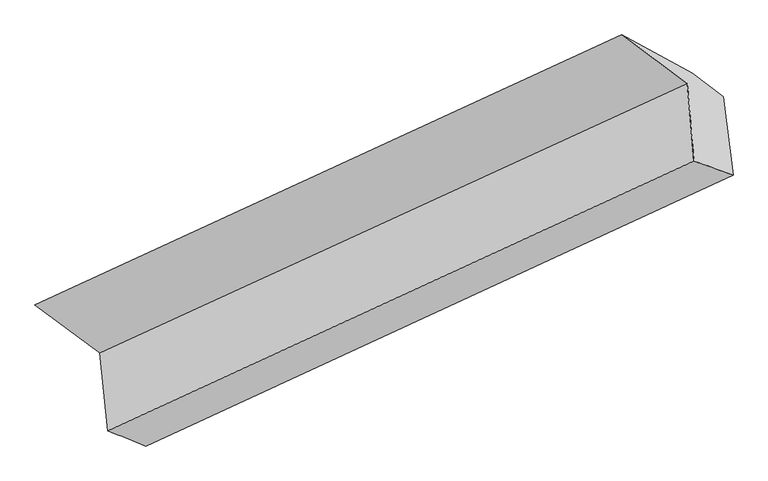
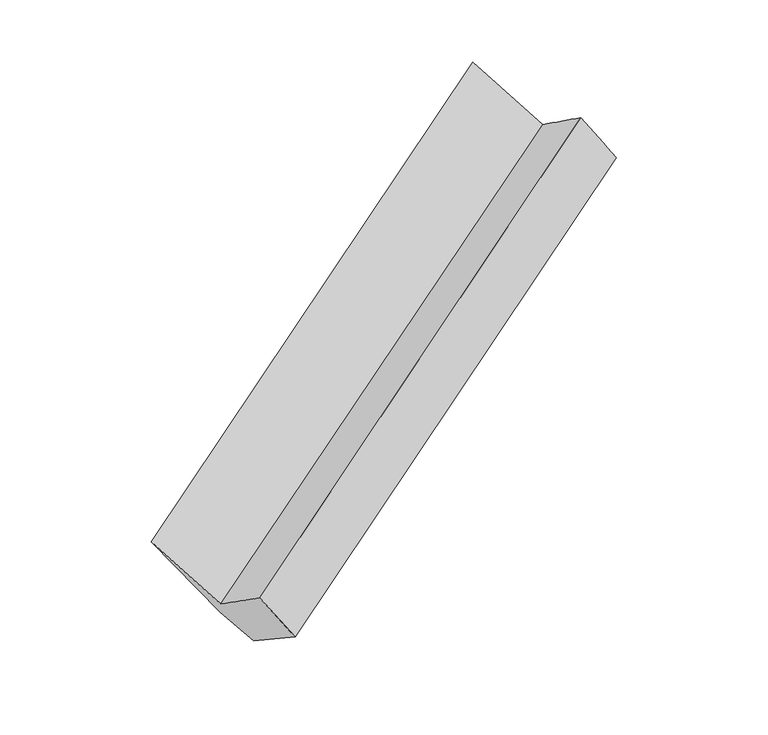
"""IFC4 building model written with IfcOpenShell, lengths in millimetres: proxy geometry."""

import ifcopenshell
import ifcopenshell.guid

model = None  # the IFC model being written
_history = None  # IfcOwnerHistory: only IFC2X3 demands one
_inside = {}  # id of a spatial element -> (the spatial element, [elements in it])
_under = {}  # id of a project, library or spatial element -> (it, [spatial elements below it])
_declared = {}  # id of a project -> (the project, [libraries it declares])
_typed = {}  # id of a type object -> (the type object, [elements of that type])
_made_of = {}  # id of a material, layer set ... -> (it, [elements and type objects made of it])


def new_model(schema):
    """Start an empty IFC model of exactly this schema.

    Asked for "IFC4X3", IfcOpenShell would pick the latest addendum, in which some entities
    have other attributes; the version numbers below select the first issue.
    IFC2X3 requires an IfcOwnerHistory on every rooted entity: one is made here for all.
    """
    global model, _history
    if schema == "IFC4X3":
        model = ifcopenshell.file(schema_version=(4, 3, 0, 0))
    else:
        model = ifcopenshell.file(schema=schema)
    _inside.clear()
    _under.clear()
    _declared.clear()
    _typed.clear()
    _made_of.clear()
    _history = None
    if model.schema == "IFC2X3":
        org = make("IfcOrganization", Name="unknown")
        user = make(
            "IfcPersonAndOrganization",
            ThePerson=make("IfcPerson", FamilyName="unknown"),
            TheOrganization=org,
        )
        app = make(
            "IfcApplication",
            ApplicationDeveloper=org,
            Version="unknown",
            ApplicationFullName="unknown",
            ApplicationIdentifier="unknown",
        )
        _history = make(
            "IfcOwnerHistory",
            OwningUser=user,
            OwningApplication=app,
            ChangeAction="ADDED",
            CreationDate=0,
        )
    return model


def make(cls, **values):
    """One entity of the class cls with the attributes given. An attribute that is None is left unset."""
    return model.create_entity(
        cls, **{name: value for name, value in values.items() if value is not None}
    )


def rooted(cls, **values):
    """An entity with a GlobalId (a new one), such as an element, a storey or a relation."""
    return make(cls, GlobalId=ifcopenshell.guid.new(), OwnerHistory=_history, **values)


def si_unit(unit_type, name, prefix=None):
    """IfcSIUnit, for example si_unit("LENGTHUNIT", "METRE", prefix="MILLI")."""
    return make("IfcSIUnit", UnitType=unit_type, Prefix=prefix, Name=name)


def assignment(units):
    """IfcUnitAssignment: the units of a project."""
    return None if units is None else make("IfcUnitAssignment", Units=units)


def point(xyz):
    """IfcCartesianPoint."""
    return None if xyz is None else make("IfcCartesianPoint", Coordinates=xyz)


def direction(xyz):
    """IfcDirection."""
    return None if xyz is None else make("IfcDirection", DirectionRatios=xyz)


def frame(location, z_axis=None, x_axis=None):
    """IfcAxis2Placement3D, a coordinate frame: its origin and axes. An axis left out is left unset."""
    return make(
        "IfcAxis2Placement3D",
        Location=point(location),
        Axis=direction(z_axis),
        RefDirection=direction(x_axis),
    )


def origin():
    """The frame at (0, 0, 0) with its axes left unset."""
    return frame((0.0, 0.0, 0.0))


def place(relative_to, where):
    """IfcLocalPlacement: puts the frame where relative to a parent placement (None: the world)."""
    return make(
        "IfcLocalPlacement", PlacementRelTo=relative_to, RelativePlacement=where
    )


def context(
    kind, dimensions, precision=None, world=None, true_north=None, identifier=None
):
    """IfcGeometricRepresentationContext, for example the 3D "Model" context."""
    return make(
        "IfcGeometricRepresentationContext",
        ContextIdentifier=identifier,
        ContextType=kind,
        CoordinateSpaceDimension=dimensions,
        Precision=precision,
        WorldCoordinateSystem=world,
        TrueNorth=true_north,
    )


def project(units=None, contexts=None):
    """IfcProject with its units and contexts."""
    return rooted(
        "IfcProject",
        Name="project",
        RepresentationContexts=contexts,
        UnitsInContext=assignment(units),
    )


def spatial(cls, under=None, at=None, **own):
    """A site, building, storey or space (cls), placed at a placement, below another one or the project."""
    s = rooted(cls, ObjectPlacement=at, **own)
    if under is not None:
        _under.setdefault(under.id(), (under, []))[1].append(s)
    return s


def shape(context_of_items, identifier, shape_type, items):
    """IfcShapeRepresentation: the items that make up one representation, for example the "Body"."""
    return make(
        "IfcShapeRepresentation",
        ContextOfItems=context_of_items,
        RepresentationIdentifier=identifier,
        RepresentationType=shape_type,
        Items=items,
    )


def source(mapping_origin, context_of_items, identifier, shape_type, items):
    """IfcRepresentationMap: a shape defined once, which mapped items show again and again."""
    return make(
        "IfcRepresentationMap",
        MappingOrigin=mapping_origin,
        MappedRepresentation=shape(context_of_items, identifier, shape_type, items),
    )


def transform(
    local_origin,
    x_axis=None,
    y_axis=None,
    z_axis=None,
    scale=None,
    scale2=None,
    scale3=None,
    uniform=True,
):
    """IfcCartesianTransformationOperator3D, or its non-uniform kind. x_axis, y_axis, z_axis: its Axis1, 2, 3."""
    if uniform:
        return make(
            "IfcCartesianTransformationOperator3D",
            Axis1=direction(x_axis),
            Axis2=direction(y_axis),
            LocalOrigin=point(local_origin),
            Scale=scale,
            Axis3=direction(z_axis),
        )
    return make(
        "IfcCartesianTransformationOperator3DnonUniform",
        Axis1=direction(x_axis),
        Axis2=direction(y_axis),
        LocalOrigin=point(local_origin),
        Scale=scale,
        Axis3=direction(z_axis),
        Scale2=scale2,
        Scale3=scale3,
    )


def mapped(mapping_source, mapping_target):
    """IfcMappedItem: shows the shape of a source again, moved by a transform."""
    return make(
        "IfcMappedItem", MappingSource=mapping_source, MappingTarget=mapping_target
    )


def made_of(thing, what):
    """Note that an element or type object is made of a material, layer set ...; save() writes the relation."""
    if what is not None:
        _made_of.setdefault(what.id(), (what, []))[1].append(thing)
    return thing


def element(
    cls,
    number,
    at=None,
    inside=None,
    cuts=None,
    type_object=None,
    material=None,
    context=None,
    identifier="Body",
    shape_type=None,
    held_by="IfcProductDefinitionShape",
    body=None,
    shapes=None,
    **own,
):
    """One element of the class cls, such as IfcWall. Its Tag is "e" and its number.

    at: its placement. inside: the storey or other place that contains it. cuts: it is an
    opening in that element (IfcRelVoidsElement). A single representation is given by context,
    identifier, shape_type and body (its items); several are given by shapes. held_by: the class
    of the entity that holds the representations. save() writes the other relations.
    """
    e = rooted(cls, Tag="e%d" % number, ObjectPlacement=at, **own)
    if body is not None:
        shapes = [shape(context, identifier, shape_type, body)]
    if shapes is not None:
        e.Representation = make(held_by, Representations=shapes)
    if inside is not None:
        _inside.setdefault(inside.id(), (inside, []))[1].append(e)
    if cuts is not None:
        rooted(
            "IfcRelVoidsElement", RelatingBuildingElement=cuts, RelatedOpeningElement=e
        )
    if type_object is not None:
        _typed.setdefault(type_object.id(), (type_object, []))[1].append(e)
    return made_of(e, material)


def aggregate(whole, parts):
    """IfcRelAggregates: a whole, such as a stair, and the parts it consists of."""
    return rooted("IfcRelAggregates", RelatingObject=whole, RelatedObjects=parts)


def save(model, path):
    """Write the relations noted so far, then the file.

    IfcRelAggregates (storeys below a building ...), IfcRelContainedInSpatialStructure (elements
    in a storey), IfcRelDefinesByType, IfcRelAssociatesMaterial and IfcRelDeclares: one each for
    every whole, place, type object, material and project.
    """
    for whole, parts in _under.values():
        aggregate(whole, parts)
    for where, things in _inside.values():
        rooted(
            "IfcRelContainedInSpatialStructure",
            RelatedElements=things,
            RelatingStructure=where,
        )
    for kind, things in _typed.values():
        rooted("IfcRelDefinesByType", RelatedObjects=things, RelatingType=kind)
    for what, things in _made_of.values():
        rooted("IfcRelAssociatesMaterial", RelatedObjects=things, RelatingMaterial=what)
    for by, libraries in _declared.values():
        rooted("IfcRelDeclares", RelatingContext=by, RelatedDefinitions=libraries)
    model.write(path)


def plane_surface(at):
    """IfcPlane: the flat surface through the origin of the frame at, square to its z axis."""
    return make("IfcPlane", Position=at)


def spline_surface(u_degree, v_degree, points, u_multiplicities, v_multiplicities, u_knots, v_knots, weights=None):
    """IfcBSplineSurfaceWithKnots; with weights, IfcRationalBSplineSurfaceWithKnots. points: one row for each step in u."""
    own = dict(
        UDegree=u_degree,
        VDegree=v_degree,
        ControlPointsList=[[point(p) for p in row] for row in points],
        SurfaceForm="UNSPECIFIED",
        UClosed=False,
        VClosed=False,
        SelfIntersect=False,
        UMultiplicities=u_multiplicities,
        VMultiplicities=v_multiplicities,
        UKnots=u_knots,
        VKnots=v_knots,
        KnotSpec="UNSPECIFIED",
    )
    if weights is None:
        return make("IfcBSplineSurfaceWithKnots", **own)
    return make("IfcRationalBSplineSurfaceWithKnots", WeightsData=weights, **own)


def advanced_brep(points, edges, surfaces, faces):
    """IfcAdvancedBrep: a solid bounded by faces that lie on surfaces and meet in shared edges.

    An edge is (start, end): straight between two places in points (the first is 0);
    or (start, end, curve); or (start, end, curve, False) where it runs against its curve.
    A face is (place in surfaces, loops), or (place, loops, False) where it looks against
    its surface's normal. A loop lists edges by number (the first is 1), with a minus sign
    where the edge is run from its end to its start. The first loop is the outer one.
    """
    corners = [point(p) for p in points]
    vertices = [make("IfcVertexPoint", VertexGeometry=c) for c in corners]
    made = []
    for start, end, *more in edges:
        made.append(
            make(
                "IfcEdgeCurve",
                EdgeStart=vertices[start],
                EdgeEnd=vertices[end],
                EdgeGeometry=more[0] if more else make("IfcPolyline", Points=[corners[start], corners[end]]),
                SameSense=more[1] if len(more) > 1 else True,
            )
        )
    hull = []
    for where, loops, *sense in faces:
        bounds = []
        for j, loop in enumerate(loops):
            ring = [make("IfcOrientedEdge", EdgeElement=made[abs(k) - 1], Orientation=k > 0) for k in loop]
            bounds.append(
                make(
                    "IfcFaceOuterBound" if j == 0 else "IfcFaceBound",
                    Bound=make("IfcEdgeLoop", EdgeList=ring),
                    Orientation=True,
                )
            )
        hull.append(make("IfcAdvancedFace", Bounds=bounds, FaceSurface=surfaces[where], SameSense=sense[0] if sense else True))
    return make("IfcAdvancedBrep", Outer=make("IfcClosedShell", CfsFaces=hull))


def generic_models_49c2690f(model_context):
    return source(origin(), model_context, "Body", "AdvancedBrep", [
        advanced_brep(
        [(-4959.7781113, -2307.6430793, 776.5308436), (-4905.0627204, -2854.3105966, 1146.8512824), (-784.9243526, -956.4289071, 3340.649265), (-831.8731449, -412.1427241, 2956.6861743), (-5415.9634989, -1967.144362, 1346.57756), (-1290.9008091, -69.5225195, 3530.2845838), (-4918.958878, -2233.3735024, 634.687223), (-797.0207638, -340.431281, 2828.1927381), (-4704.7667797, -2405.4574791, 377.6234882), (-577.5722364, -504.228597, 2553.9710821), (-4635.5152048, -2961.3802395, 728.3966103), (-509.8946622, -1056.5799227, 2905.5935807)],
        [
            (0, 1),
            (1, 2),
            (2, 3),
            (3, 0),
            (4, 0),
            (3, 5),
            (5, 4),
            (6, 4),
            (5, 7),
            (7, 6),
            (8, 6),
            (7, 9),
            (9, 8),
            (10, 8),
            (9, 11),
            (11, 10),
            (1, 10),
            (11, 2),
        ],
        [
            spline_surface(1, 1, [[(-4959.7781113, -2307.6430793, 776.5308436), (-831.8731449, -412.1427241, 2956.6861743)], [(-4905.0627204, -2854.3105966, 1146.8512824), (-784.9243526, -956.4289071, 3340.649265)]], [2, 2], [2, 2], [0.0, 1.0], [0.0, 1.0]),
            plane_surface(frame((-5187.8708051, -2137.3937206, 1061.5542018), z_axis=(0.08331777623518233, -0.8247561693641569, 0.5593169130814716), x_axis=(0.5662650746446197, -0.42266266481020476, -0.7076016796286311))),
            spline_surface(1, 1, [[(-4918.958878, -2233.3735024, 634.687223), (-797.0207638, -340.431281, 2828.1927381)], [(-5415.9634989, -1967.144362, 1346.57756), (-1290.9008091, -69.5225195, 3530.2845838)]], [2, 2], [2, 2], [0.0, 1.0], [0.0, 1.0]),
            spline_surface(1, 1, [[(-4704.7667797, -2405.4574791, 377.6234882), (-577.5722364, -504.228597, 2553.9710821)], [(-4918.958878, -2233.3735024, 634.687223), (-797.0207638, -340.431281, 2828.1927381)]], [2, 2], [2, 2], [0.0, 1.0], [0.0, 1.0]),
            spline_surface(1, 1, [[(-4635.5152048, -2961.3802395, 728.3966103), (-509.8946622, -1056.5799227, 2905.5935807)], [(-4704.7667797, -2405.4574791, 377.6234882), (-577.5722364, -504.228597, 2553.9710821)]], [2, 2], [2, 2], [0.0, 1.0], [0.0, 1.0]),
            spline_surface(1, 1, [[(-4905.0627204, -2854.3105966, 1146.8512824), (-784.9243526, -956.4289071, 3340.649265)], [(-4635.5152048, -2961.3802395, 728.3966103), (-509.8946622, -1056.5799227, 2905.5935807)]], [2, 2], [2, 2], [0.0, 1.0], [0.0, 1.0]),
            plane_surface(frame((-798.6976615, -556.5556586, 3019.2295707), z_axis=(0.820023268654508, 0.37545895213298164, 0.4319634407312502), x_axis=(-0.5662650746446184, 0.422662664810205, 0.7076016796286321))),
            plane_surface(frame((-4923.3408655, -2454.8848765, 835.1111679), z_axis=(-0.8200755864451585, -0.3749379480270657, -0.43231651326994536), x_axis=(-0.0825826722403288, 0.8250926050479331, -0.5589295978393538))),
        ],
        [
            (0, [[1, 2, 3, 4]]),
            (1, [[5, -4, 6, 7]]),
            (2, [[8, -7, 9, 10]]),
            (3, [[11, -10, 12, 13]]),
            (4, [[14, -13, 15, 16]]),
            (5, [[17, -16, 18, -2]]),
            (6, [[-12, -9, -6, -3, -18, -15]]),
            (7, [[-1, -5, -8, -11, -14, -17]]),
        ],
    ),
    ])


if __name__ == "__main__":
    model = new_model("IFC4")
    model_context = context("Model", 3, world=origin())
    ifc_project = project(units=[si_unit("LENGTHUNIT", "METRE", prefix="MILLI")], contexts=[model_context])
    site = spatial("IfcSite", under=ifc_project)
    building = spatial("IfcBuilding", under=site)
    placement = place(None, origin())
    generic_models_shape = generic_models_49c2690f(model_context)
    element("IfcBuildingElementProxy", 1, Name="Generic Models", at=placement, inside=building, context=model_context, shape_type="MappedRepresentation", body=[
        mapped(generic_models_shape, transform((0.0, 0.0, 0.0), x_axis=(1.0, 0.0, 0.0), y_axis=(0.0, 1.0, 0.0), z_axis=(0.0, 0.0, 1.0))),
    ])
    save(model, "model.ifc")
